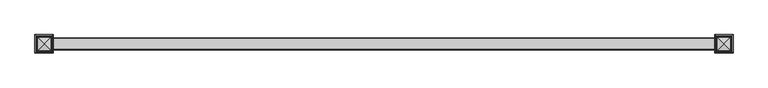
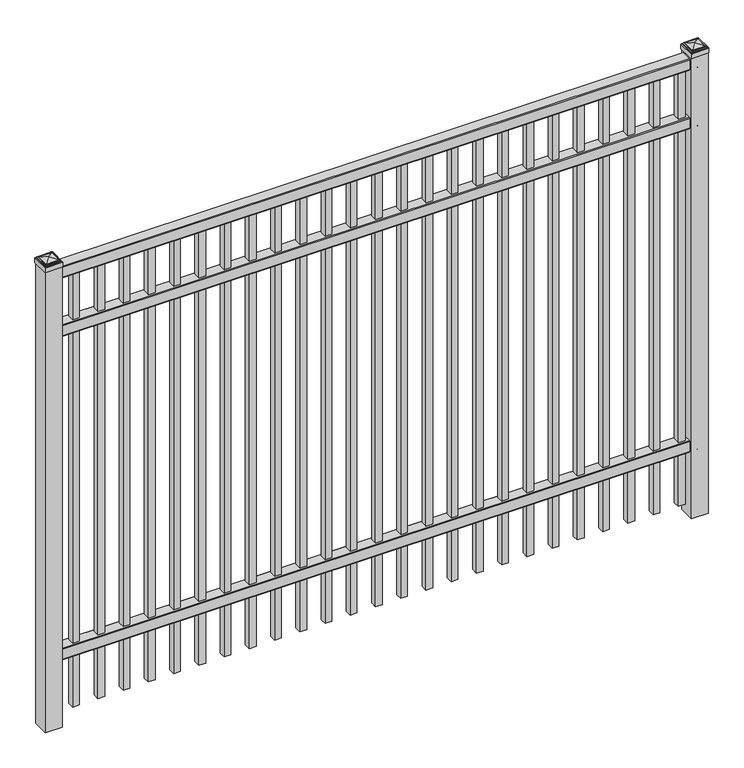
"""IFC4 building model written with IfcOpenShell, lengths in millimetres: railing geometry."""

import ifcopenshell
import ifcopenshell.guid

model = None  # the IFC model being written
_history = None  # IfcOwnerHistory: only IFC2X3 demands one
_inside = {}  # id of a spatial element -> (the spatial element, [elements in it])
_under = {}  # id of a project, library or spatial element -> (it, [spatial elements below it])
_declared = {}  # id of a project -> (the project, [libraries it declares])
_typed = {}  # id of a type object -> (the type object, [elements of that type])
_made_of = {}  # id of a material, layer set ... -> (it, [elements and type objects made of it])


def new_model(schema):
    """Start an empty IFC model of exactly this schema.

    Asked for "IFC4X3", IfcOpenShell would pick the latest addendum, in which some entities
    have other attributes; the version numbers below select the first issue.
    IFC2X3 requires an IfcOwnerHistory on every rooted entity: one is made here for all.
    """
    global model, _history
    if schema == "IFC4X3":
        model = ifcopenshell.file(schema_version=(4, 3, 0, 0))
    else:
        model = ifcopenshell.file(schema=schema)
    _inside.clear()
    _under.clear()
    _declared.clear()
    _typed.clear()
    _made_of.clear()
    _history = None
    if model.schema == "IFC2X3":
        org = make("IfcOrganization", Name="unknown")
        user = make(
            "IfcPersonAndOrganization",
            ThePerson=make("IfcPerson", FamilyName="unknown"),
            TheOrganization=org,
        )
        app = make(
            "IfcApplication",
            ApplicationDeveloper=org,
            Version="unknown",
            ApplicationFullName="unknown",
            ApplicationIdentifier="unknown",
        )
        _history = make(
            "IfcOwnerHistory",
            OwningUser=user,
            OwningApplication=app,
            ChangeAction="ADDED",
            CreationDate=0,
        )
    return model


def make(cls, **values):
    """One entity of the class cls with the attributes given. An attribute that is None is left unset."""
    return model.create_entity(
        cls, **{name: value for name, value in values.items() if value is not None}
    )


def rooted(cls, **values):
    """An entity with a GlobalId (a new one), such as an element, a storey or a relation."""
    return make(cls, GlobalId=ifcopenshell.guid.new(), OwnerHistory=_history, **values)


def si_unit(unit_type, name, prefix=None):
    """IfcSIUnit, for example si_unit("LENGTHUNIT", "METRE", prefix="MILLI")."""
    return make("IfcSIUnit", UnitType=unit_type, Prefix=prefix, Name=name)


def assignment(units):
    """IfcUnitAssignment: the units of a project."""
    return None if units is None else make("IfcUnitAssignment", Units=units)


def point(xyz):
    """IfcCartesianPoint."""
    return None if xyz is None else make("IfcCartesianPoint", Coordinates=xyz)


def direction(xyz):
    """IfcDirection."""
    return None if xyz is None else make("IfcDirection", DirectionRatios=xyz)


def frame(location, z_axis=None, x_axis=None):
    """IfcAxis2Placement3D, a coordinate frame: its origin and axes. An axis left out is left unset."""
    return make(
        "IfcAxis2Placement3D",
        Location=point(location),
        Axis=direction(z_axis),
        RefDirection=direction(x_axis),
    )


def frame_2d(location, x_axis=None):
    """IfcAxis2Placement2D, a coordinate frame in the plane: its origin and x axis."""
    return make(
        "IfcAxis2Placement2D", Location=point(location), RefDirection=direction(x_axis)
    )


def origin():
    """The frame at (0, 0, 0) with its axes left unset."""
    return frame((0.0, 0.0, 0.0))


def origin_with_axes():
    """The frame at (0, 0, 0) with the z axis (0, 0, 1) and the x axis (1, 0, 0) written out."""
    return frame((0.0, 0.0, 0.0), z_axis=(0.0, 0.0, 1.0), x_axis=(1.0, 0.0, 0.0))


def place(relative_to, where):
    """IfcLocalPlacement: puts the frame where relative to a parent placement (None: the world)."""
    return make(
        "IfcLocalPlacement", PlacementRelTo=relative_to, RelativePlacement=where
    )


def context(
    kind, dimensions, precision=None, world=None, true_north=None, identifier=None
):
    """IfcGeometricRepresentationContext, for example the 3D "Model" context."""
    return make(
        "IfcGeometricRepresentationContext",
        ContextIdentifier=identifier,
        ContextType=kind,
        CoordinateSpaceDimension=dimensions,
        Precision=precision,
        WorldCoordinateSystem=world,
        TrueNorth=true_north,
    )


def project(units=None, contexts=None):
    """IfcProject with its units and contexts."""
    return rooted(
        "IfcProject",
        Name="project",
        RepresentationContexts=contexts,
        UnitsInContext=assignment(units),
    )


def spatial(cls, under=None, at=None, **own):
    """A site, building, storey or space (cls), placed at a placement, below another one or the project."""
    s = rooted(cls, ObjectPlacement=at, **own)
    if under is not None:
        _under.setdefault(under.id(), (under, []))[1].append(s)
    return s


def polyline(points):
    """IfcPolyline through the points."""
    return make("IfcPolyline", Points=[point(p) for p in points])


def circle_curve(where, radius):
    """IfcCircle in the frame where."""
    return make("IfcCircle", Position=where, Radius=radius)


def ellipse_curve(where, semi_axis1, semi_axis2):
    """IfcEllipse in the frame where."""
    return make(
        "IfcEllipse", Position=where, SemiAxis1=semi_axis1, SemiAxis2=semi_axis2
    )


def trimmed(basis, trim1, trim2, sense, master):
    """IfcTrimmedCurve: the piece of a basis curve between two trims."""
    return make(
        "IfcTrimmedCurve",
        BasisCurve=basis,
        Trim1=trim1,
        Trim2=trim2,
        SenseAgreement=sense,
        MasterRepresentation=master,
    )


def segment(curve, same_sense, transition):
    """IfcCompositeCurveSegment."""
    return make(
        "IfcCompositeCurveSegment",
        Transition=transition,
        SameSense=same_sense,
        ParentCurve=curve,
    )


def composite_curve(segments, self_intersect=None):
    """IfcCompositeCurve: segments joined end to end."""
    return make("IfcCompositeCurve", Segments=segments, SelfIntersect=self_intersect)


def outline(outer, holes=None, kind="AREA"):
    """IfcArbitraryClosedProfileDef: a profile drawn as a closed curve; with holes, ...WithVoids."""
    if holes is None:
        return make("IfcArbitraryClosedProfileDef", ProfileType=kind, OuterCurve=outer)
    return make(
        "IfcArbitraryProfileDefWithVoids",
        ProfileType=kind,
        OuterCurve=outer,
        InnerCurves=holes,
    )


def extrude(swept, where, along, depth):
    """IfcExtrudedAreaSolid: the profile swept, set in the frame where, extruded along a direction by depth."""
    return make(
        "IfcExtrudedAreaSolid",
        SweptArea=swept,
        Position=where,
        ExtrudedDirection=direction(along),
        Depth=depth,
    )


def shape(context_of_items, identifier, shape_type, items):
    """IfcShapeRepresentation: the items that make up one representation, for example the "Body"."""
    return make(
        "IfcShapeRepresentation",
        ContextOfItems=context_of_items,
        RepresentationIdentifier=identifier,
        RepresentationType=shape_type,
        Items=items,
    )


def source(mapping_origin, context_of_items, identifier, shape_type, items):
    """IfcRepresentationMap: a shape defined once, which mapped items show again and again."""
    return make(
        "IfcRepresentationMap",
        MappingOrigin=mapping_origin,
        MappedRepresentation=shape(context_of_items, identifier, shape_type, items),
    )


def transform(
    local_origin,
    x_axis=None,
    y_axis=None,
    z_axis=None,
    scale=None,
    scale2=None,
    scale3=None,
    uniform=True,
):
    """IfcCartesianTransformationOperator3D, or its non-uniform kind. x_axis, y_axis, z_axis: its Axis1, 2, 3."""
    if uniform:
        return make(
            "IfcCartesianTransformationOperator3D",
            Axis1=direction(x_axis),
            Axis2=direction(y_axis),
            LocalOrigin=point(local_origin),
            Scale=scale,
            Axis3=direction(z_axis),
        )
    return make(
        "IfcCartesianTransformationOperator3DnonUniform",
        Axis1=direction(x_axis),
        Axis2=direction(y_axis),
        LocalOrigin=point(local_origin),
        Scale=scale,
        Axis3=direction(z_axis),
        Scale2=scale2,
        Scale3=scale3,
    )


def mapped(mapping_source, mapping_target):
    """IfcMappedItem: shows the shape of a source again, moved by a transform."""
    return make(
        "IfcMappedItem", MappingSource=mapping_source, MappingTarget=mapping_target
    )


def made_of(thing, what):
    """Note that an element or type object is made of a material, layer set ...; save() writes the relation."""
    if what is not None:
        _made_of.setdefault(what.id(), (what, []))[1].append(thing)
    return thing


def element(
    cls,
    number,
    at=None,
    inside=None,
    cuts=None,
    type_object=None,
    material=None,
    context=None,
    identifier="Body",
    shape_type=None,
    held_by="IfcProductDefinitionShape",
    body=None,
    shapes=None,
    **own,
):
    """One element of the class cls, such as IfcWall. Its Tag is "e" and its number.

    at: its placement. inside: the storey or other place that contains it. cuts: it is an
    opening in that element (IfcRelVoidsElement). A single representation is given by context,
    identifier, shape_type and body (its items); several are given by shapes. held_by: the class
    of the entity that holds the representations. save() writes the other relations.
    """
    e = rooted(cls, Tag="e%d" % number, ObjectPlacement=at, **own)
    if body is not None:
        shapes = [shape(context, identifier, shape_type, body)]
    if shapes is not None:
        e.Representation = make(held_by, Representations=shapes)
    if inside is not None:
        _inside.setdefault(inside.id(), (inside, []))[1].append(e)
    if cuts is not None:
        rooted(
            "IfcRelVoidsElement", RelatingBuildingElement=cuts, RelatedOpeningElement=e
        )
    if type_object is not None:
        _typed.setdefault(type_object.id(), (type_object, []))[1].append(e)
    return made_of(e, material)


def aggregate(whole, parts):
    """IfcRelAggregates: a whole, such as a stair, and the parts it consists of."""
    return rooted("IfcRelAggregates", RelatingObject=whole, RelatedObjects=parts)


def save(model, path):
    """Write the relations noted so far, then the file.

    IfcRelAggregates (storeys below a building ...), IfcRelContainedInSpatialStructure (elements
    in a storey), IfcRelDefinesByType, IfcRelAssociatesMaterial and IfcRelDeclares: one each for
    every whole, place, type object, material and project.
    """
    for whole, parts in _under.values():
        aggregate(whole, parts)
    for where, things in _inside.values():
        rooted(
            "IfcRelContainedInSpatialStructure",
            RelatedElements=things,
            RelatingStructure=where,
        )
    for kind, things in _typed.values():
        rooted("IfcRelDefinesByType", RelatedObjects=things, RelatingType=kind)
    for what, things in _made_of.values():
        rooted("IfcRelAssociatesMaterial", RelatedObjects=things, RelatingMaterial=what)
    for by, libraries in _declared.values():
        rooted("IfcRelDeclares", RelatingContext=by, RelatedDefinitions=libraries)
    model.write(path)


def plane_surface(at):
    """IfcPlane: the flat surface through the origin of the frame at, square to its z axis."""
    return make("IfcPlane", Position=at)


def cylinder_surface(at, radius):
    """IfcCylindricalSurface: all points at the distance radius from the z axis of the frame at."""
    return make("IfcCylindricalSurface", Position=at, Radius=radius)


def advanced_brep(points, edges, surfaces, faces):
    """IfcAdvancedBrep: a solid bounded by faces that lie on surfaces and meet in shared edges.

    An edge is (start, end): straight between two places in points (the first is 0);
    or (start, end, curve); or (start, end, curve, False) where it runs against its curve.
    A face is (place in surfaces, loops), or (place, loops, False) where it looks against
    its surface's normal. A loop lists edges by number (the first is 1), with a minus sign
    where the edge is run from its end to its start. The first loop is the outer one.
    """
    corners = [point(p) for p in points]
    vertices = [make("IfcVertexPoint", VertexGeometry=c) for c in corners]
    made = []
    for start, end, *more in edges:
        made.append(
            make(
                "IfcEdgeCurve",
                EdgeStart=vertices[start],
                EdgeEnd=vertices[end],
                EdgeGeometry=more[0] if more else make("IfcPolyline", Points=[corners[start], corners[end]]),
                SameSense=more[1] if len(more) > 1 else True,
            )
        )
    hull = []
    for where, loops, *sense in faces:
        bounds = []
        for j, loop in enumerate(loops):
            ring = [make("IfcOrientedEdge", EdgeElement=made[abs(k) - 1], Orientation=k > 0) for k in loop]
            bounds.append(
                make(
                    "IfcFaceOuterBound" if j == 0 else "IfcFaceBound",
                    Bound=make("IfcEdgeLoop", EdgeList=ring),
                    Orientation=True,
                )
            )
        hull.append(make("IfcAdvancedFace", Bounds=bounds, FaceSurface=surfaces[where], SameSense=sense[0] if sense else True))
    return make("IfcAdvancedBrep", Outer=make("IfcClosedShell", CfsFaces=hull))


def railing_dae94d0e(model_context):
    return source(origin(), model_context, "Body", "SolidModel", [
        extrude(outline(composite_curve([segment(polyline([(10349.9139761, 304.8), (10387.969541, 304.8)]), True, "CONTINUOUS"), segment(trimmed(circle_curve(frame_2d((10387.969541, 301.625)), 3.175), [point((10387.969541, 304.8))], [point((10391.144541, 301.625))], False, "CARTESIAN"), True, "CONTINUOUS"), segment(polyline([(10391.144541, 301.625), (10391.144541, 262.1439893)]), True, "CONTINUOUS"), segment(trimmed(circle_curve(frame_2d((10389.3505518, 262.1439893)), 1.7939893), [point((10391.144541, 262.1439893))], [point((10389.3505518, 260.35))], False, "CARTESIAN"), True, "CONTINUOUS"), segment(polyline([(10389.3505518, 260.35), (10386.7590713, 260.35)]), True, "CONTINUOUS"), segment(trimmed(circle_curve(frame_2d((10386.7590713, 262.1359375)), 1.7859375), [point((10386.7590713, 260.35))], [point((10384.9755813, 262.0424688))], False, "CARTESIAN"), True, "CONTINUOUS"), segment(polyline([(10384.9755813, 262.0424688), (10383.4025867, 292.0569942), (10354.4364954, 292.0569942), (10352.8635007, 262.0424688)]), True, "CONTINUOUS"), segment(trimmed(circle_curve(frame_2d((10351.0800108, 262.1359375)), 1.7859375), [point((10352.8635007, 262.0424688))], [point((10351.0800108, 260.35))], False, "CARTESIAN"), True, "CONTINUOUS"), segment(polyline([(10351.0800108, 260.35), (10348.4804785, 260.35)]), True, "CONTINUOUS"), segment(trimmed(circle_curve(frame_2d((10348.4804785, 262.1359375)), 1.7859375), [point((10348.4804785, 260.35))], [point((10346.694541, 262.1359375))], False, "CARTESIAN"), True, "CONTINUOUS"), segment(polyline([(10346.694541, 262.1359375), (10346.694541, 301.5805649)]), True, "CONTINUOUS"), segment(trimmed(circle_curve(frame_2d((10349.9139761, 301.5805649)), 3.2194351), [point((10346.694541, 301.5805649))], [point((10349.9139761, 304.8))], False, "CARTESIAN"), True, "CONTINUOUS")], self_intersect=False)), frame((-10765.0649936, 0.0, 0.0), z_axis=(1.0, 0.0, 0.0), x_axis=(0.0, 1.0, 0.0)), (0.0, 0.0, 1.0), 2438.4),
        extrude(outline(composite_curve([segment(polyline([(10349.9139761, 1595.4375), (10387.969541, 1595.4375)]), True, "CONTINUOUS"), segment(trimmed(circle_curve(frame_2d((10387.969541, 1592.2625)), 3.175), [point((10387.969541, 1595.4375))], [point((10391.144541, 1592.2625))], False, "CARTESIAN"), True, "CONTINUOUS"), segment(polyline([(10391.144541, 1592.2625), (10391.144541, 1552.7814893)]), True, "CONTINUOUS"), segment(trimmed(circle_curve(frame_2d((10389.3505518, 1552.7814893)), 1.7939893), [point((10391.144541, 1552.7814893))], [point((10389.3505518, 1550.9875))], False, "CARTESIAN"), True, "CONTINUOUS"), segment(polyline([(10389.3505518, 1550.9875), (10386.7590713, 1550.9875)]), True, "CONTINUOUS"), segment(trimmed(circle_curve(frame_2d((10386.7590713, 1552.7734375)), 1.7859375), [point((10386.7590713, 1550.9875))], [point((10384.9755813, 1552.6799688))], False, "CARTESIAN"), True, "CONTINUOUS"), segment(polyline([(10384.9755813, 1552.6799688), (10383.4025867, 1582.6944942), (10354.4364954, 1582.6944942), (10352.8635007, 1552.6799688)]), True, "CONTINUOUS"), segment(trimmed(circle_curve(frame_2d((10351.0800108, 1552.7734375)), 1.7859375), [point((10352.8635007, 1552.6799688))], [point((10351.0800108, 1550.9875))], False, "CARTESIAN"), True, "CONTINUOUS"), segment(polyline([(10351.0800108, 1550.9875), (10348.4804785, 1550.9875)]), True, "CONTINUOUS"), segment(trimmed(circle_curve(frame_2d((10348.4804785, 1552.7734375)), 1.7859375), [point((10348.4804785, 1550.9875))], [point((10346.694541, 1552.7734375))], False, "CARTESIAN"), True, "CONTINUOUS"), segment(polyline([(10346.694541, 1552.7734375), (10346.694541, 1592.2180649)]), True, "CONTINUOUS"), segment(trimmed(circle_curve(frame_2d((10349.9139761, 1592.2180649)), 3.2194351), [point((10346.694541, 1592.2180649))], [point((10349.9139761, 1595.4375))], False, "CARTESIAN"), True, "CONTINUOUS")], self_intersect=False)), frame((-10765.0649936, 0.0, 0.0), z_axis=(1.0, 0.0, 0.0), x_axis=(0.0, 1.0, 0.0)), (0.0, 0.0, 1.0), 2438.4),
        extrude(outline(composite_curve([segment(polyline([(10349.9139761, 1828.8), (10387.969541, 1828.8)]), True, "CONTINUOUS"), segment(trimmed(circle_curve(frame_2d((10387.969541, 1825.625)), 3.175), [point((10387.969541, 1828.8))], [point((10391.144541, 1825.625))], False, "CARTESIAN"), True, "CONTINUOUS"), segment(polyline([(10391.144541, 1825.625), (10391.144541, 1786.1439893)]), True, "CONTINUOUS"), segment(trimmed(circle_curve(frame_2d((10389.3505518, 1786.1439893)), 1.7939893), [point((10391.144541, 1786.1439893))], [point((10389.3505518, 1784.35))], False, "CARTESIAN"), True, "CONTINUOUS"), segment(polyline([(10389.3505518, 1784.35), (10386.7590713, 1784.35)]), True, "CONTINUOUS"), segment(trimmed(circle_curve(frame_2d((10386.7590713, 1786.1359375)), 1.7859375), [point((10386.7590713, 1784.35))], [point((10384.9755813, 1786.0424688))], False, "CARTESIAN"), True, "CONTINUOUS"), segment(polyline([(10384.9755813, 1786.0424688), (10383.4025867, 1816.0569942), (10354.4364954, 1816.0569942), (10352.8635007, 1786.0424688)]), True, "CONTINUOUS"), segment(trimmed(circle_curve(frame_2d((10351.0800108, 1786.1359375)), 1.7859375), [point((10352.8635007, 1786.0424688))], [point((10351.0800108, 1784.35))], False, "CARTESIAN"), True, "CONTINUOUS"), segment(polyline([(10351.0800108, 1784.35), (10348.4804785, 1784.35)]), True, "CONTINUOUS"), segment(trimmed(circle_curve(frame_2d((10348.4804785, 1786.1359375)), 1.7859375), [point((10348.4804785, 1784.35))], [point((10346.694541, 1786.1359375))], False, "CARTESIAN"), True, "CONTINUOUS"), segment(polyline([(10346.694541, 1786.1359375), (10346.694541, 1825.5805649)]), True, "CONTINUOUS"), segment(trimmed(circle_curve(frame_2d((10349.9139761, 1825.5805649)), 3.2194351), [point((10346.694541, 1825.5805649))], [point((10349.9139761, 1828.8))], False, "CARTESIAN"), True, "CONTINUOUS")], self_intersect=False)), frame((-10765.0649936, 0.0, 0.0), z_axis=(1.0, 0.0, 0.0), x_axis=(0.0, 1.0, 0.0)), (0.0, 0.0, 1.0), 2438.4),
        extrude(outline(polyline([(0.0, -1733.55), (0.0, 0.0), (25.4, 0.0), (25.4, -1733.55), (0.0, -1733.55)])), frame((-8371.1149864, 10381.619541, 1784.35), z_axis=(-1.0, 0.0, 2.3937232806415307e-09), x_axis=(0.0, -1.0, 0.0)), (0.0, 0.0, 1.0), 25.4),
        extrude(outline(polyline([(0.0, -1733.55), (0.0, 0.0), (25.4, 0.0), (25.4, -1733.55), (0.0, -1733.55)])), frame((-8466.3649864, 10381.619541, 1784.35), z_axis=(-1.0, 0.0, 2.3937232806415307e-09), x_axis=(0.0, -1.0, 0.0)), (0.0, 0.0, 1.0), 25.4),
        extrude(outline(polyline([(0.0, -1733.55), (0.0, 0.0), (25.4, 0.0), (25.4, -1733.55), (0.0, -1733.55)])), frame((-8561.6149864, 10381.619541, 1784.35), z_axis=(-1.0, 0.0, 2.3937232806415307e-09), x_axis=(0.0, -1.0, 0.0)), (0.0, 0.0, 1.0), 25.4),
        extrude(outline(polyline([(0.0, -1733.55), (0.0, 0.0), (25.4, 0.0), (25.4, -1733.55), (0.0, -1733.55)])), frame((-8656.8649864, 10381.619541, 1784.35), z_axis=(-1.0, 0.0, 2.3937232806415307e-09), x_axis=(0.0, -1.0, 0.0)), (0.0, 0.0, 1.0), 25.4),
        extrude(outline(polyline([(0.0, -1733.55), (0.0, 0.0), (25.4, 0.0), (25.4, -1733.55), (0.0, -1733.55)])), frame((-8752.1149864, 10381.619541, 1784.35), z_axis=(-1.0, 0.0, 2.3937232806415307e-09), x_axis=(0.0, -1.0, 0.0)), (0.0, 0.0, 1.0), 25.4),
        extrude(outline(polyline([(0.0, -1733.55), (0.0, 0.0), (25.4, 0.0), (25.4, -1733.55), (0.0, -1733.55)])), frame((-8847.3649864, 10381.619541, 1784.35), z_axis=(-1.0, 0.0, 2.3937232806415307e-09), x_axis=(0.0, -1.0, 0.0)), (0.0, 0.0, 1.0), 25.4),
        extrude(outline(polyline([(0.0, -1733.55), (0.0, 0.0), (25.4, 0.0), (25.4, -1733.55), (0.0, -1733.55)])), frame((-8942.6149864, 10381.619541, 1784.35), z_axis=(-1.0, 0.0, 2.3937232806415307e-09), x_axis=(0.0, -1.0, 0.0)), (0.0, 0.0, 1.0), 25.4),
        extrude(outline(polyline([(0.0, -1733.55), (0.0, 0.0), (25.4, 0.0), (25.4, -1733.55), (0.0, -1733.55)])), frame((-9037.8649864, 10381.619541, 1784.35), z_axis=(-1.0, 0.0, 2.3937232806415307e-09), x_axis=(0.0, -1.0, 0.0)), (0.0, 0.0, 1.0), 25.4),
        extrude(outline(polyline([(0.0, -1733.55), (0.0, 0.0), (25.4, 0.0), (25.4, -1733.55), (0.0, -1733.55)])), frame((-9133.1149864, 10381.619541, 1784.35), z_axis=(-1.0, 0.0, 2.3937232806415307e-09), x_axis=(0.0, -1.0, 0.0)), (0.0, 0.0, 1.0), 25.4),
        extrude(outline(polyline([(0.0, -1733.55), (0.0, 0.0), (25.4, 0.0), (25.4, -1733.55), (0.0, -1733.55)])), frame((-9228.3649864, 10381.619541, 1784.35), z_axis=(-1.0, 0.0, 2.3937232806415307e-09), x_axis=(0.0, -1.0, 0.0)), (0.0, 0.0, 1.0), 25.4),
        extrude(outline(polyline([(0.0, -1733.55), (0.0, 0.0), (25.4, 0.0), (25.4, -1733.55), (0.0, -1733.55)])), frame((-9323.6149864, 10381.619541, 1784.35), z_axis=(-1.0, 0.0, 2.3937232806415307e-09), x_axis=(0.0, -1.0, 0.0)), (0.0, 0.0, 1.0), 25.4),
        extrude(outline(polyline([(0.0, -1733.55), (0.0, 0.0), (25.4, 0.0), (25.4, -1733.55), (0.0, -1733.55)])), frame((-9418.8649864, 10381.619541, 1784.35), z_axis=(-1.0, 0.0, 2.3937232806415307e-09), x_axis=(0.0, -1.0, 0.0)), (0.0, 0.0, 1.0), 25.4),
        extrude(outline(polyline([(0.0, -1733.55), (0.0, 0.0), (25.4, 0.0), (25.4, -1733.55), (0.0, -1733.55)])), frame((-9514.1149864, 10381.619541, 1784.35), z_axis=(-1.0, 0.0, 2.3937232806415307e-09), x_axis=(0.0, -1.0, 0.0)), (0.0, 0.0, 1.0), 25.4),
        extrude(outline(polyline([(0.0, -1733.55), (0.0, 0.0), (25.4, 0.0), (25.4, -1733.55), (0.0, -1733.55)])), frame((-9609.3649864, 10381.619541, 1784.35), z_axis=(-1.0, 0.0, 2.3937232806415307e-09), x_axis=(0.0, -1.0, 0.0)), (0.0, 0.0, 1.0), 25.4),
        extrude(outline(polyline([(0.0, -1733.55), (0.0, 0.0), (25.4, 0.0), (25.4, -1733.55), (0.0, -1733.55)])), frame((-9704.6149864, 10381.619541, 1784.35), z_axis=(-1.0, 0.0, 2.3937232806415307e-09), x_axis=(0.0, -1.0, 0.0)), (0.0, 0.0, 1.0), 25.4),
        extrude(outline(polyline([(0.0, -1733.55), (0.0, 0.0), (25.4, 0.0), (25.4, -1733.55), (0.0, -1733.55)])), frame((-9799.8649864, 10381.619541, 1784.35), z_axis=(-1.0, 0.0, 2.3937232806415307e-09), x_axis=(0.0, -1.0, 0.0)), (0.0, 0.0, 1.0), 25.4),
        extrude(outline(polyline([(0.0, -1733.55), (0.0, 0.0), (25.4, 0.0), (25.4, -1733.55), (0.0, -1733.55)])), frame((-9895.1149864, 10381.619541, 1784.35), z_axis=(-1.0, 0.0, 2.3937232806415307e-09), x_axis=(0.0, -1.0, 0.0)), (0.0, 0.0, 1.0), 25.4),
        extrude(outline(polyline([(0.0, -1733.55), (0.0, 0.0), (25.4, 0.0), (25.4, -1733.55), (0.0, -1733.55)])), frame((-9990.3649864, 10381.619541, 1784.35), z_axis=(-1.0, 0.0, 2.3937232806415307e-09), x_axis=(0.0, -1.0, 0.0)), (0.0, 0.0, 1.0), 25.4),
        extrude(outline(polyline([(0.0, -1733.55), (0.0, 0.0), (25.4, 0.0), (25.4, -1733.55), (0.0, -1733.55)])), frame((-10085.6149864, 10381.619541, 1784.35), z_axis=(-1.0, 0.0, 2.3937232806415307e-09), x_axis=(0.0, -1.0, 0.0)), (0.0, 0.0, 1.0), 25.4),
        extrude(outline(polyline([(0.0, -1733.55), (0.0, 0.0), (25.4, 0.0), (25.4, -1733.55), (0.0, -1733.55)])), frame((-10180.8649864, 10381.619541, 1784.35), z_axis=(-1.0, 0.0, 2.3937232806415307e-09), x_axis=(0.0, -1.0, 0.0)), (0.0, 0.0, 1.0), 25.4),
        extrude(outline(polyline([(0.0, -1733.55), (0.0, 0.0), (25.4, 0.0), (25.4, -1733.55), (0.0, -1733.55)])), frame((-10276.1149864, 10381.619541, 1784.35), z_axis=(-1.0, 0.0, 2.3937232806415307e-09), x_axis=(0.0, -1.0, 0.0)), (0.0, 0.0, 1.0), 25.4),
        extrude(outline(polyline([(0.0, -1733.55), (0.0, 0.0), (25.4, 0.0), (25.4, -1733.55), (0.0, -1733.55)])), frame((-10371.3649864, 10381.619541, 1784.35), z_axis=(-1.0, 0.0, 2.3937232806415307e-09), x_axis=(0.0, -1.0, 0.0)), (0.0, 0.0, 1.0), 25.4),
        extrude(outline(polyline([(0.0, -1733.55), (0.0, 0.0), (25.4, 0.0), (25.4, -1733.55), (0.0, -1733.55)])), frame((-10466.6149864, 10381.619541, 1784.35), z_axis=(-1.0, 0.0, 2.3937232806415307e-09), x_axis=(0.0, -1.0, 0.0)), (0.0, 0.0, 1.0), 25.4),
        extrude(outline(polyline([(0.0, -1733.55), (0.0, 0.0), (25.4, 0.0), (25.4, -1733.55), (0.0, -1733.55)])), frame((-10561.8649864, 10381.619541, 1784.35), z_axis=(-1.0, 0.0, 2.3937232806415307e-09), x_axis=(0.0, -1.0, 0.0)), (0.0, 0.0, 1.0), 25.4),
        extrude(outline(polyline([(0.0, -1733.55), (0.0, 0.0), (25.4, 0.0), (25.4, -1733.55), (0.0, -1733.55)])), frame((-10657.1149864, 10381.619541, 1784.35), z_axis=(-1.0, 0.0, 2.3937232806415307e-09), x_axis=(0.0, -1.0, 0.0)), (0.0, 0.0, 1.0), 25.4),
        extrude(outline(polyline([(-8294.9149936, 10400.669541), (-8294.9149936, 10337.169541), (-8358.4149936, 10337.169541), (-8358.4149936, 10400.669541), (-8294.9149936, 10400.669541)])), origin_with_axes(), (0.0, 0.0, 1.0), 1836.7375),
        advanced_brep(
        [(-8360.0024936, 10402.257041, 1854.99375), (-8360.0024936, 10402.257041, 1836.7375), (-8360.0024936, 10335.582041, 1836.7375), (-8360.0024936, 10335.582041, 1854.99375), (-8357.6212436, 10399.875791, 1857.375), (-8357.6212436, 10337.963291, 1857.375), (-8355.2399936, 10397.494541, 1859.75625), (-8355.2399936, 10397.494541, 1857.375), (-8355.2399936, 10340.344541, 1857.375), (-8355.2399936, 10340.344541, 1859.75625), (-8352.8587436, 10395.113291, 1862.1375), (-8352.8587436, 10342.725791, 1862.1375), (-8326.6649936, 10368.919541, 1868.4875), (-8350.4774936, 10392.732041, 1862.1375), (-8350.4774936, 10345.107041, 1862.1375), (-8293.3274936, 10335.582041, 1836.7375), (-8293.3274936, 10335.582041, 1854.99375), (-8295.7087436, 10337.963291, 1857.375), (-8298.0899936, 10340.344541, 1857.375), (-8298.0899936, 10340.344541, 1859.75625), (-8300.4712436, 10342.725791, 1862.1375), (-8302.8524936, 10345.107041, 1862.1375), (-8293.3274936, 10402.257041, 1836.7375), (-8293.3274936, 10402.257041, 1854.99375), (-8295.7087436, 10399.875791, 1857.375), (-8298.0899936, 10397.494541, 1857.375), (-8298.0899936, 10397.494541, 1859.75625), (-8300.4712436, 10395.113291, 1862.1375), (-8302.8524936, 10392.732041, 1862.1375)],
        [
            (0, 1),
            (1, 2),
            (2, 3),
            (3, 0),
            (4, 0, ellipse_curve(frame((-8357.6212436, 10399.875791, 1854.99375), z_axis=(-0.70710678118655, -0.7071067811865449, 0.0), x_axis=(-0.7071067811865448, 0.7071067811865501, 0.0)), 3.367596, 2.38125)),
            (3, 5, ellipse_curve(frame((-8357.6212436, 10337.963291, 1854.99375), z_axis=(-0.7071067811865449, 0.70710678118655, 0.0), x_axis=(0.7071067811865499, 0.707106781186545, 0.0)), 3.367596, 2.38125)),
            (5, 4),
            (6, 7),
            (7, 8),
            (8, 9),
            (9, 6),
            (10, 6, ellipse_curve(frame((-8352.8587436, 10395.113291, 1859.75625), z_axis=(-0.70710678118655, -0.7071067811865449, 0.0), x_axis=(-0.7071067811865448, 0.7071067811865501, 0.0)), 3.367596, 2.38125)),
            (9, 11, ellipse_curve(frame((-8352.8587436, 10342.725791, 1859.75625), z_axis=(-0.7071067811865449, 0.70710678118655, 0.0), x_axis=(0.7071067811865499, 0.707106781186545, 0.0)), 3.367596, 2.38125)),
            (11, 10),
            (12, 13, ellipse_curve(frame((-8326.6649936, 10368.919541, 1820.6640625), z_axis=(-0.70710678118655, -0.7071067811865449, 0.0), x_axis=(-0.7071067811865448, 0.7071067811865501, 0.0)), 67.6325539, 47.8234375)),
            (13, 14),
            (14, 12, ellipse_curve(frame((-8326.6649936, 10368.919541, 1820.6640625), z_axis=(-0.7071067811865449, 0.70710678118655, 0.0), x_axis=(0.7071067811865499, 0.707106781186545, 0.0)), 67.6325539, 47.8234375)),
            (2, 15),
            (15, 16),
            (16, 3),
            (16, 17, ellipse_curve(frame((-8295.7087436, 10337.963291, 1854.99375), z_axis=(-0.70710678118655, -0.707106781186545, 0.0), x_axis=(-0.707106781186545, 0.70710678118655, 0.0)), 3.367596, 2.38125)),
            (17, 5),
            (8, 18),
            (18, 19),
            (19, 9),
            (19, 20, ellipse_curve(frame((-8300.4712436, 10342.725791, 1859.75625), z_axis=(-0.70710678118655, -0.707106781186545, 0.0), x_axis=(-0.707106781186545, 0.70710678118655, 0.0)), 3.367596, 2.38125)),
            (20, 11),
            (14, 21),
            (21, 12, ellipse_curve(frame((-8326.6649936, 10368.919541, 1820.6640625), z_axis=(-0.70710678118655, -0.707106781186545, 0.0), x_axis=(-0.707106781186545, 0.70710678118655, 0.0)), 67.6325539, 47.8234375)),
            (15, 22),
            (22, 23),
            (23, 16),
            (23, 24, ellipse_curve(frame((-8295.7087436, 10399.875791, 1854.99375), z_axis=(0.707106781186545, -0.7071067811865499, 0.0), x_axis=(-0.7071067811865497, -0.7071067811865452, 0.0)), 3.367596, 2.38125)),
            (24, 17),
            (18, 25),
            (25, 26),
            (26, 19),
            (26, 27, ellipse_curve(frame((-8300.4712436, 10395.113291, 1859.75625), z_axis=(0.707106781186545, -0.7071067811865499, 0.0), x_axis=(-0.7071067811865497, -0.7071067811865452, 0.0)), 3.367596, 2.38125)),
            (27, 20),
            (21, 28),
            (28, 12, ellipse_curve(frame((-8326.6649936, 10368.919541, 1820.6640625), z_axis=(0.707106781186545, -0.7071067811865499, 0.0), x_axis=(-0.7071067811865497, -0.7071067811865452, 0.0)), 67.6325539, 47.8234375)),
            (22, 1),
            (0, 23),
            (4, 24),
            (7, 25),
            (6, 26),
            (10, 27),
            (13, 28),
        ],
        [
            plane_surface(frame((-8360.0024936, 10402.257041, 1836.7375), z_axis=(-1.0, 0.0, 0.0), x_axis=(0.0, -1.0, 0.0))),
            cylinder_surface(frame((-8357.6212436, 10400.669541, 1854.99375), z_axis=(0.0, 1.0, 0.0), x_axis=(1.0, 0.0, 0.0)), 2.38125),
            plane_surface(frame((-8355.2399936, 10397.494541, 1857.375), z_axis=(-1.0, 0.0, 0.0), x_axis=(0.0, -1.0, 0.0))),
            cylinder_surface(frame((-8352.8587436, 10400.669541, 1859.75625), z_axis=(0.0, 1.0, 0.0), x_axis=(1.0, 0.0, 0.0)), 2.38125),
            cylinder_surface(frame((-8326.6649936, 10400.669541, 1820.6640625), z_axis=(0.0, 1.0, 0.0), x_axis=(1.0, 0.0, 0.0)), 47.8234375),
            plane_surface(frame((-8360.0024936, 10335.582041, 1836.7375), z_axis=(0.0, -1.0, 0.0), x_axis=(1.0, 0.0, 0.0))),
            cylinder_surface(frame((-8358.4149936, 10337.963291, 1854.99375), z_axis=(-1.0, 0.0, 0.0), x_axis=(0.0, 1.0, 0.0)), 2.38125),
            plane_surface(frame((-8355.2399936, 10340.344541, 1857.375), z_axis=(0.0, -1.0, 0.0), x_axis=(1.0, 0.0, 0.0))),
            cylinder_surface(frame((-8358.4149936, 10342.725791, 1859.75625), z_axis=(-1.0, 0.0, 0.0), x_axis=(0.0, 1.0, 0.0)), 2.38125),
            cylinder_surface(frame((-8358.4149936, 10368.919541, 1820.6640625), z_axis=(-1.0, 0.0, 0.0), x_axis=(0.0, 1.0, 0.0)), 47.8234375),
            plane_surface(frame((-8293.3274936, 10335.582041, 1836.7375), z_axis=(1.0, 0.0, 0.0), x_axis=(0.0, 1.0, 0.0))),
            cylinder_surface(frame((-8295.7087436, 10337.169541, 1854.99375), z_axis=(0.0, -1.0, 0.0), x_axis=(-1.0, 0.0, 0.0)), 2.38125),
            plane_surface(frame((-8298.0899936, 10340.344541, 1857.375), z_axis=(1.0, 0.0, 0.0), x_axis=(0.0, 1.0, 0.0))),
            cylinder_surface(frame((-8300.4712436, 10337.169541, 1859.75625), z_axis=(0.0, -1.0, 0.0), x_axis=(-1.0, 0.0, 0.0)), 2.38125),
            cylinder_surface(frame((-8326.6649936, 10337.169541, 1820.6640625), z_axis=(0.0, -1.0, 0.0), x_axis=(-1.0, 0.0, 0.0)), 47.8234375),
            plane_surface(frame((-8293.3274936, 10402.257041, 1836.7375), z_axis=(0.0, 1.0, 0.0), x_axis=(-1.0, 0.0, 0.0))),
            cylinder_surface(frame((-8294.9149936, 10399.875791, 1854.99375), z_axis=(1.0, 0.0, 0.0), x_axis=(0.0, -1.0, 0.0)), 2.38125),
            plane_surface(frame((-8295.7087436, 10399.875791, 1857.375), z_axis=(0.0, 0.0, 1.0), x_axis=(-1.0, 0.0, 0.0))),
            plane_surface(frame((-8298.0899936, 10397.494541, 1857.375), z_axis=(0.0, 1.0, 0.0), x_axis=(-1.0, 0.0, 0.0))),
            cylinder_surface(frame((-8294.9149936, 10395.113291, 1859.75625), z_axis=(1.0, 0.0, 0.0), x_axis=(0.0, -1.0, 0.0)), 2.38125),
            plane_surface(frame((-8300.4712436, 10395.113291, 1862.1375), z_axis=(0.0, 0.0, 1.0), x_axis=(-1.0, 0.0, 0.0))),
            cylinder_surface(frame((-8294.9149936, 10368.919541, 1820.6640625), z_axis=(1.0, 0.0, 0.0), x_axis=(0.0, -1.0, 0.0)), 47.8234375),
            plane_surface(frame((-8326.6649936, 10368.919541, 1836.7375), z_axis=(0.0, 0.0, -1.0), x_axis=(-1.0, 0.0, 0.0))),
        ],
        [
            (0, [[1, 2, 3, 4]]),
            (1, [[5, -4, 6, 7]]),
            (2, [[8, 9, 10, 11]]),
            (3, [[12, -11, 13, 14]]),
            (4, [[15, 16, 17]]),
            (5, [[-3, 18, 19, 20]]),
            (6, [[-6, -20, 21, 22]]),
            (7, [[-10, 23, 24, 25]]),
            (8, [[-13, -25, 26, 27]]),
            (9, [[-17, 28, 29]]),
            (10, [[-19, 30, 31, 32]]),
            (11, [[-21, -32, 33, 34]]),
            (12, [[-24, 35, 36, 37]]),
            (13, [[-26, -37, 38, 39]]),
            (14, [[-29, 40, 41]]),
            (15, [[-31, 42, -1, 43]]),
            (16, [[-33, -43, -5, 44]]),
            (17, [[-22, -34, -44, -7], [45, -35, -23, -9]]),
            (18, [[-36, -45, -8, 46]]),
            (19, [[-38, -46, -12, 47]]),
            (20, [[-27, -39, -47, -14], [48, -40, -28, -16]]),
            (21, [[-41, -48, -15]]),
            (22, [[-42, -30, -18, -2]]),
        ],
    ),
        extrude(outline(polyline([(-10733.3149936, 10400.669541), (-10733.3149936, 10337.169541), (-10796.8149936, 10337.169541), (-10796.8149936, 10400.669541), (-10733.3149936, 10400.669541)])), origin_with_axes(), (0.0, 0.0, 1.0), 1836.7375),
        advanced_brep(
        [(-10798.4024936, 10402.257041, 1854.99375), (-10798.4024936, 10402.257041, 1836.7375), (-10798.4024936, 10335.582041, 1836.7375), (-10798.4024936, 10335.582041, 1854.99375), (-10796.0212436, 10399.875791, 1857.375), (-10796.0212436, 10337.963291, 1857.375), (-10793.6399936, 10397.494541, 1859.75625), (-10793.6399936, 10397.494541, 1857.375), (-10793.6399936, 10340.344541, 1857.375), (-10793.6399936, 10340.344541, 1859.75625), (-10791.2587436, 10395.113291, 1862.1375), (-10791.2587436, 10342.725791, 1862.1375), (-10765.0649936, 10368.919541, 1868.4875), (-10788.8774936, 10392.732041, 1862.1375), (-10788.8774936, 10345.107041, 1862.1375), (-10731.7274936, 10335.582041, 1836.7375), (-10731.7274936, 10335.582041, 1854.99375), (-10734.1087436, 10337.963291, 1857.375), (-10736.4899936, 10340.344541, 1857.375), (-10736.4899936, 10340.344541, 1859.75625), (-10738.8712436, 10342.725791, 1862.1375), (-10741.2524936, 10345.107041, 1862.1375), (-10731.7274936, 10402.257041, 1836.7375), (-10731.7274936, 10402.257041, 1854.99375), (-10734.1087436, 10399.875791, 1857.375), (-10736.4899936, 10397.494541, 1857.375), (-10736.4899936, 10397.494541, 1859.75625), (-10738.8712436, 10395.113291, 1862.1375), (-10741.2524936, 10392.732041, 1862.1375)],
        [
            (0, 1),
            (1, 2),
            (2, 3),
            (3, 0),
            (4, 0, ellipse_curve(frame((-10796.0212436, 10399.875791, 1854.99375), z_axis=(-0.70710678118655, -0.7071067811865449, 0.0), x_axis=(-0.7071067811865448, 0.7071067811865501, 0.0)), 3.367596, 2.38125)),
            (3, 5, ellipse_curve(frame((-10796.0212436, 10337.963291, 1854.99375), z_axis=(-0.7071067811865449, 0.70710678118655, 0.0), x_axis=(0.7071067811865499, 0.707106781186545, 0.0)), 3.367596, 2.38125)),
            (5, 4),
            (6, 7),
            (7, 8),
            (8, 9),
            (9, 6),
            (10, 6, ellipse_curve(frame((-10791.2587436, 10395.113291, 1859.75625), z_axis=(-0.70710678118655, -0.7071067811865449, 0.0), x_axis=(-0.7071067811865448, 0.7071067811865501, 0.0)), 3.367596, 2.38125)),
            (9, 11, ellipse_curve(frame((-10791.2587436, 10342.725791, 1859.75625), z_axis=(-0.7071067811865449, 0.70710678118655, 0.0), x_axis=(0.7071067811865499, 0.707106781186545, 0.0)), 3.367596, 2.38125)),
            (11, 10),
            (12, 13, ellipse_curve(frame((-10765.0649936, 10368.919541, 1820.6640625), z_axis=(-0.70710678118655, -0.7071067811865449, 0.0), x_axis=(-0.7071067811865448, 0.7071067811865501, 0.0)), 67.6325539, 47.8234375)),
            (13, 14),
            (14, 12, ellipse_curve(frame((-10765.0649936, 10368.919541, 1820.6640625), z_axis=(-0.7071067811865449, 0.70710678118655, 0.0), x_axis=(0.7071067811865499, 0.707106781186545, 0.0)), 67.6325539, 47.8234375)),
            (2, 15),
            (15, 16),
            (16, 3),
            (16, 17, ellipse_curve(frame((-10734.1087436, 10337.963291, 1854.99375), z_axis=(-0.70710678118655, -0.707106781186545, 0.0), x_axis=(-0.707106781186545, 0.70710678118655, 0.0)), 3.367596, 2.38125)),
            (17, 5),
            (8, 18),
            (18, 19),
            (19, 9),
            (19, 20, ellipse_curve(frame((-10738.8712436, 10342.725791, 1859.75625), z_axis=(-0.70710678118655, -0.707106781186545, 0.0), x_axis=(-0.707106781186545, 0.70710678118655, 0.0)), 3.367596, 2.38125)),
            (20, 11),
            (14, 21),
            (21, 12, ellipse_curve(frame((-10765.0649936, 10368.919541, 1820.6640625), z_axis=(-0.70710678118655, -0.707106781186545, 0.0), x_axis=(-0.707106781186545, 0.70710678118655, 0.0)), 67.6325539, 47.8234375)),
            (15, 22),
            (22, 23),
            (23, 16),
            (23, 24, ellipse_curve(frame((-10734.1087436, 10399.875791, 1854.99375), z_axis=(0.707106781186545, -0.7071067811865499, 0.0), x_axis=(-0.7071067811865497, -0.7071067811865452, 0.0)), 3.367596, 2.38125)),
            (24, 17),
            (18, 25),
            (25, 26),
            (26, 19),
            (26, 27, ellipse_curve(frame((-10738.8712436, 10395.113291, 1859.75625), z_axis=(0.707106781186545, -0.7071067811865499, 0.0), x_axis=(-0.7071067811865497, -0.7071067811865452, 0.0)), 3.367596, 2.38125)),
            (27, 20),
            (21, 28),
            (28, 12, ellipse_curve(frame((-10765.0649936, 10368.919541, 1820.6640625), z_axis=(0.707106781186545, -0.7071067811865499, 0.0), x_axis=(-0.7071067811865497, -0.7071067811865452, 0.0)), 67.6325539, 47.8234375)),
            (22, 1),
            (0, 23),
            (4, 24),
            (7, 25),
            (6, 26),
            (10, 27),
            (13, 28),
        ],
        [
            plane_surface(frame((-10798.4024936, 10402.257041, 1836.7375), z_axis=(-1.0, 0.0, 0.0), x_axis=(0.0, -1.0, 0.0))),
            cylinder_surface(frame((-10796.0212436, 10400.669541, 1854.99375), z_axis=(0.0, 1.0, 0.0), x_axis=(1.0, 0.0, 0.0)), 2.38125),
            plane_surface(frame((-10793.6399936, 10397.494541, 1857.375), z_axis=(-1.0, 0.0, 0.0), x_axis=(0.0, -1.0, 0.0))),
            cylinder_surface(frame((-10791.2587436, 10400.669541, 1859.75625), z_axis=(0.0, 1.0, 0.0), x_axis=(1.0, 0.0, 0.0)), 2.38125),
            cylinder_surface(frame((-10765.0649936, 10400.669541, 1820.6640625), z_axis=(0.0, 1.0, 0.0), x_axis=(1.0, 0.0, 0.0)), 47.8234375),
            plane_surface(frame((-10798.4024936, 10335.582041, 1836.7375), z_axis=(0.0, -1.0, 0.0), x_axis=(1.0, 0.0, 0.0))),
            cylinder_surface(frame((-10796.8149936, 10337.963291, 1854.99375), z_axis=(-1.0, 0.0, 0.0), x_axis=(0.0, 1.0, 0.0)), 2.38125),
            plane_surface(frame((-10793.6399936, 10340.344541, 1857.375), z_axis=(0.0, -1.0, 0.0), x_axis=(1.0, 0.0, 0.0))),
            cylinder_surface(frame((-10796.8149936, 10342.725791, 1859.75625), z_axis=(-1.0, 0.0, 0.0), x_axis=(0.0, 1.0, 0.0)), 2.38125),
            cylinder_surface(frame((-10796.8149936, 10368.919541, 1820.6640625), z_axis=(-1.0, 0.0, 0.0), x_axis=(0.0, 1.0, 0.0)), 47.8234375),
            plane_surface(frame((-10731.7274936, 10335.582041, 1836.7375), z_axis=(1.0, 0.0, 0.0), x_axis=(0.0, 1.0, 0.0))),
            cylinder_surface(frame((-10734.1087436, 10337.169541, 1854.99375), z_axis=(0.0, -1.0, 0.0), x_axis=(-1.0, 0.0, 0.0)), 2.38125),
            plane_surface(frame((-10736.4899936, 10340.344541, 1857.375), z_axis=(1.0, 0.0, 0.0), x_axis=(0.0, 1.0, 0.0))),
            cylinder_surface(frame((-10738.8712436, 10337.169541, 1859.75625), z_axis=(0.0, -1.0, 0.0), x_axis=(-1.0, 0.0, 0.0)), 2.38125),
            cylinder_surface(frame((-10765.0649936, 10337.169541, 1820.6640625), z_axis=(0.0, -1.0, 0.0), x_axis=(-1.0, 0.0, 0.0)), 47.8234375),
            plane_surface(frame((-10731.7274936, 10402.257041, 1836.7375), z_axis=(0.0, 1.0, 0.0), x_axis=(-1.0, 0.0, 0.0))),
            cylinder_surface(frame((-10733.3149936, 10399.875791, 1854.99375), z_axis=(1.0, 0.0, 0.0), x_axis=(0.0, -1.0, 0.0)), 2.38125),
            plane_surface(frame((-10734.1087436, 10399.875791, 1857.375), z_axis=(0.0, 0.0, 1.0), x_axis=(-1.0, 0.0, 0.0))),
            plane_surface(frame((-10736.4899936, 10397.494541, 1857.375), z_axis=(0.0, 1.0, 0.0), x_axis=(-1.0, 0.0, 0.0))),
            cylinder_surface(frame((-10733.3149936, 10395.113291, 1859.75625), z_axis=(1.0, 0.0, 0.0), x_axis=(0.0, -1.0, 0.0)), 2.38125),
            plane_surface(frame((-10738.8712436, 10395.113291, 1862.1375), z_axis=(0.0, 0.0, 1.0), x_axis=(-1.0, 0.0, 0.0))),
            cylinder_surface(frame((-10733.3149936, 10368.919541, 1820.6640625), z_axis=(1.0, 0.0, 0.0), x_axis=(0.0, -1.0, 0.0)), 47.8234375),
            plane_surface(frame((-10765.0649936, 10368.919541, 1836.7375), z_axis=(0.0, 0.0, -1.0), x_axis=(-1.0, 0.0, 0.0))),
        ],
        [
            (0, [[1, 2, 3, 4]]),
            (1, [[5, -4, 6, 7]]),
            (2, [[8, 9, 10, 11]]),
            (3, [[12, -11, 13, 14]]),
            (4, [[15, 16, 17]]),
            (5, [[-3, 18, 19, 20]]),
            (6, [[-6, -20, 21, 22]]),
            (7, [[-10, 23, 24, 25]]),
            (8, [[-13, -25, 26, 27]]),
            (9, [[-17, 28, 29]]),
            (10, [[-19, 30, 31, 32]]),
            (11, [[-21, -32, 33, 34]]),
            (12, [[-24, 35, 36, 37]]),
            (13, [[-26, -37, 38, 39]]),
            (14, [[-29, 40, 41]]),
            (15, [[-31, 42, -1, 43]]),
            (16, [[-33, -43, -5, 44]]),
            (17, [[-22, -34, -44, -7], [45, -35, -23, -9]]),
            (18, [[-36, -45, -8, 46]]),
            (19, [[-38, -46, -12, 47]]),
            (20, [[-27, -39, -47, -14], [48, -40, -28, -16]]),
            (21, [[-41, -48, -15]]),
            (22, [[-42, -30, -18, -2]]),
        ],
    ),
    ])


if __name__ == "__main__":
    model = new_model("IFC4")
    model_context = context("Model", 3, world=origin())
    ifc_project = project(units=[si_unit("LENGTHUNIT", "METRE", prefix="MILLI")], contexts=[model_context])
    site = spatial("IfcSite", under=ifc_project)
    building = spatial("IfcBuilding", under=site)
    placement = place(None, origin())
    railing_shape = railing_dae94d0e(model_context)
    element("IfcRailing", 1, at=placement, inside=building, context=model_context, shape_type="MappedRepresentation", body=[
        mapped(railing_shape, transform((0.0, 0.0, 0.0), x_axis=(1.0, 0.0, 0.0), y_axis=(0.0, 1.0, 0.0), z_axis=(0.0, 0.0, 1.0))),
    ])
    save(model, "model.ifc")
